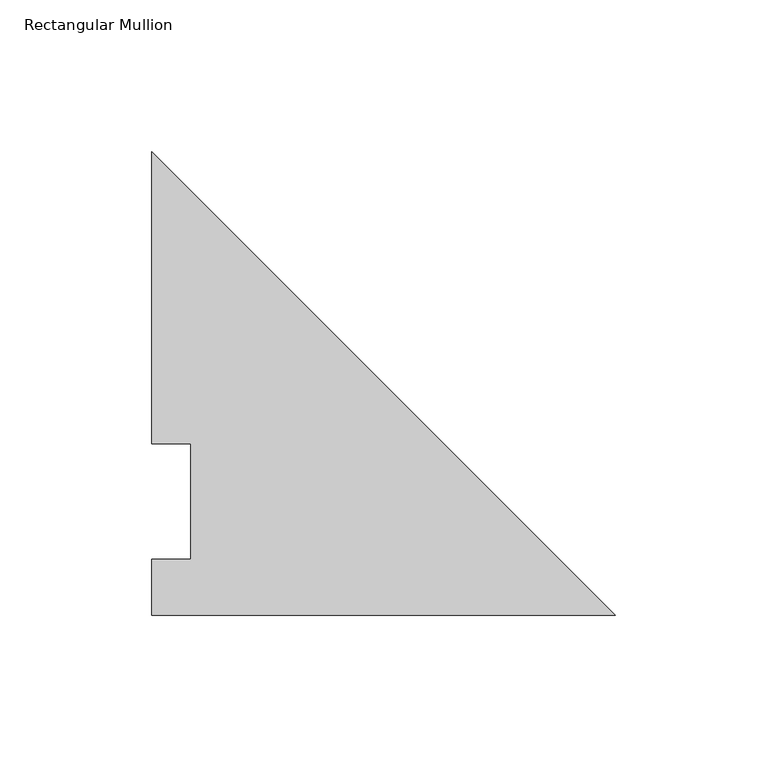
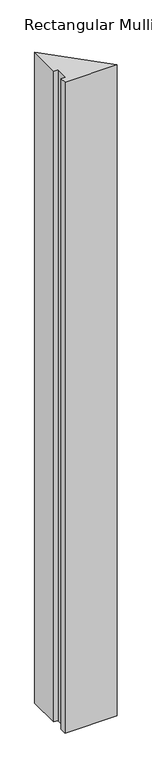
"""IFC4 building model written with IfcOpenShell, lengths in millimetres: member geometry, Rectangular Mullion."""

import ifcopenshell
import ifcopenshell.guid

model = None  # the IFC model being written
_history = None  # IfcOwnerHistory: only IFC2X3 demands one
_inside = {}  # id of a spatial element -> (the spatial element, [elements in it])
_under = {}  # id of a project, library or spatial element -> (it, [spatial elements below it])
_declared = {}  # id of a project -> (the project, [libraries it declares])
_typed = {}  # id of a type object -> (the type object, [elements of that type])
_made_of = {}  # id of a material, layer set ... -> (it, [elements and type objects made of it])


def new_model(schema):
    """Start an empty IFC model of exactly this schema.

    Asked for "IFC4X3", IfcOpenShell would pick the latest addendum, in which some entities
    have other attributes; the version numbers below select the first issue.
    IFC2X3 requires an IfcOwnerHistory on every rooted entity: one is made here for all.
    """
    global model, _history
    if schema == "IFC4X3":
        model = ifcopenshell.file(schema_version=(4, 3, 0, 0))
    else:
        model = ifcopenshell.file(schema=schema)
    _inside.clear()
    _under.clear()
    _declared.clear()
    _typed.clear()
    _made_of.clear()
    _history = None
    if model.schema == "IFC2X3":
        org = make("IfcOrganization", Name="unknown")
        user = make(
            "IfcPersonAndOrganization",
            ThePerson=make("IfcPerson", FamilyName="unknown"),
            TheOrganization=org,
        )
        app = make(
            "IfcApplication",
            ApplicationDeveloper=org,
            Version="unknown",
            ApplicationFullName="unknown",
            ApplicationIdentifier="unknown",
        )
        _history = make(
            "IfcOwnerHistory",
            OwningUser=user,
            OwningApplication=app,
            ChangeAction="ADDED",
            CreationDate=0,
        )
    return model


def make(cls, **values):
    """One entity of the class cls with the attributes given. An attribute that is None is left unset."""
    return model.create_entity(
        cls, **{name: value for name, value in values.items() if value is not None}
    )


def rooted(cls, **values):
    """An entity with a GlobalId (a new one), such as an element, a storey or a relation."""
    return make(cls, GlobalId=ifcopenshell.guid.new(), OwnerHistory=_history, **values)


def si_unit(unit_type, name, prefix=None):
    """IfcSIUnit, for example si_unit("LENGTHUNIT", "METRE", prefix="MILLI")."""
    return make("IfcSIUnit", UnitType=unit_type, Prefix=prefix, Name=name)


def assignment(units):
    """IfcUnitAssignment: the units of a project."""
    return None if units is None else make("IfcUnitAssignment", Units=units)


def point(xyz):
    """IfcCartesianPoint."""
    return None if xyz is None else make("IfcCartesianPoint", Coordinates=xyz)


def direction(xyz):
    """IfcDirection."""
    return None if xyz is None else make("IfcDirection", DirectionRatios=xyz)


def frame(location, z_axis=None, x_axis=None):
    """IfcAxis2Placement3D, a coordinate frame: its origin and axes. An axis left out is left unset."""
    return make(
        "IfcAxis2Placement3D",
        Location=point(location),
        Axis=direction(z_axis),
        RefDirection=direction(x_axis),
    )


def origin():
    """The frame at (0, 0, 0) with its axes left unset."""
    return frame((0.0, 0.0, 0.0))


def place(relative_to, where):
    """IfcLocalPlacement: puts the frame where relative to a parent placement (None: the world)."""
    return make(
        "IfcLocalPlacement", PlacementRelTo=relative_to, RelativePlacement=where
    )


def context(
    kind, dimensions, precision=None, world=None, true_north=None, identifier=None
):
    """IfcGeometricRepresentationContext, for example the 3D "Model" context."""
    return make(
        "IfcGeometricRepresentationContext",
        ContextIdentifier=identifier,
        ContextType=kind,
        CoordinateSpaceDimension=dimensions,
        Precision=precision,
        WorldCoordinateSystem=world,
        TrueNorth=true_north,
    )


def project(units=None, contexts=None):
    """IfcProject with its units and contexts."""
    return rooted(
        "IfcProject",
        Name="project",
        RepresentationContexts=contexts,
        UnitsInContext=assignment(units),
    )


def spatial(cls, under=None, at=None, **own):
    """A site, building, storey or space (cls), placed at a placement, below another one or the project."""
    s = rooted(cls, ObjectPlacement=at, **own)
    if under is not None:
        _under.setdefault(under.id(), (under, []))[1].append(s)
    return s


def polyline(points):
    """IfcPolyline through the points."""
    return make("IfcPolyline", Points=[point(p) for p in points])


def outline(outer, holes=None, kind="AREA"):
    """IfcArbitraryClosedProfileDef: a profile drawn as a closed curve; with holes, ...WithVoids."""
    if holes is None:
        return make("IfcArbitraryClosedProfileDef", ProfileType=kind, OuterCurve=outer)
    return make(
        "IfcArbitraryProfileDefWithVoids",
        ProfileType=kind,
        OuterCurve=outer,
        InnerCurves=holes,
    )


def extrude(swept, where, along, depth):
    """IfcExtrudedAreaSolid: the profile swept, set in the frame where, extruded along a direction by depth."""
    return make(
        "IfcExtrudedAreaSolid",
        SweptArea=swept,
        Position=where,
        ExtrudedDirection=direction(along),
        Depth=depth,
    )


def shape(context_of_items, identifier, shape_type, items):
    """IfcShapeRepresentation: the items that make up one representation, for example the "Body"."""
    return make(
        "IfcShapeRepresentation",
        ContextOfItems=context_of_items,
        RepresentationIdentifier=identifier,
        RepresentationType=shape_type,
        Items=items,
    )


def source(mapping_origin, context_of_items, identifier, shape_type, items):
    """IfcRepresentationMap: a shape defined once, which mapped items show again and again."""
    return make(
        "IfcRepresentationMap",
        MappingOrigin=mapping_origin,
        MappedRepresentation=shape(context_of_items, identifier, shape_type, items),
    )


def transform(
    local_origin,
    x_axis=None,
    y_axis=None,
    z_axis=None,
    scale=None,
    scale2=None,
    scale3=None,
    uniform=True,
):
    """IfcCartesianTransformationOperator3D, or its non-uniform kind. x_axis, y_axis, z_axis: its Axis1, 2, 3."""
    if uniform:
        return make(
            "IfcCartesianTransformationOperator3D",
            Axis1=direction(x_axis),
            Axis2=direction(y_axis),
            LocalOrigin=point(local_origin),
            Scale=scale,
            Axis3=direction(z_axis),
        )
    return make(
        "IfcCartesianTransformationOperator3DnonUniform",
        Axis1=direction(x_axis),
        Axis2=direction(y_axis),
        LocalOrigin=point(local_origin),
        Scale=scale,
        Axis3=direction(z_axis),
        Scale2=scale2,
        Scale3=scale3,
    )


def mapped(mapping_source, mapping_target):
    """IfcMappedItem: shows the shape of a source again, moved by a transform."""
    return make(
        "IfcMappedItem", MappingSource=mapping_source, MappingTarget=mapping_target
    )


def made_of(thing, what):
    """Note that an element or type object is made of a material, layer set ...; save() writes the relation."""
    if what is not None:
        _made_of.setdefault(what.id(), (what, []))[1].append(thing)
    return thing


def element(
    cls,
    number,
    at=None,
    inside=None,
    cuts=None,
    type_object=None,
    material=None,
    context=None,
    identifier="Body",
    shape_type=None,
    held_by="IfcProductDefinitionShape",
    body=None,
    shapes=None,
    **own,
):
    """One element of the class cls, such as IfcWall. Its Tag is "e" and its number.

    at: its placement. inside: the storey or other place that contains it. cuts: it is an
    opening in that element (IfcRelVoidsElement). A single representation is given by context,
    identifier, shape_type and body (its items); several are given by shapes. held_by: the class
    of the entity that holds the representations. save() writes the other relations.
    """
    e = rooted(cls, Tag="e%d" % number, ObjectPlacement=at, **own)
    if body is not None:
        shapes = [shape(context, identifier, shape_type, body)]
    if shapes is not None:
        e.Representation = make(held_by, Representations=shapes)
    if inside is not None:
        _inside.setdefault(inside.id(), (inside, []))[1].append(e)
    if cuts is not None:
        rooted(
            "IfcRelVoidsElement", RelatingBuildingElement=cuts, RelatedOpeningElement=e
        )
    if type_object is not None:
        _typed.setdefault(type_object.id(), (type_object, []))[1].append(e)
    return made_of(e, material)


def aggregate(whole, parts):
    """IfcRelAggregates: a whole, such as a stair, and the parts it consists of."""
    return rooted("IfcRelAggregates", RelatingObject=whole, RelatedObjects=parts)


def save(model, path):
    """Write the relations noted so far, then the file.

    IfcRelAggregates (storeys below a building ...), IfcRelContainedInSpatialStructure (elements
    in a storey), IfcRelDefinesByType, IfcRelAssociatesMaterial and IfcRelDeclares: one each for
    every whole, place, type object, material and project.
    """
    for whole, parts in _under.values():
        aggregate(whole, parts)
    for where, things in _inside.values():
        rooted(
            "IfcRelContainedInSpatialStructure",
            RelatedElements=things,
            RelatingStructure=where,
        )
    for kind, things in _typed.values():
        rooted("IfcRelDefinesByType", RelatedObjects=things, RelatingType=kind)
    for what, things in _made_of.values():
        rooted("IfcRelAssociatesMaterial", RelatedObjects=things, RelatingMaterial=what)
    for by, libraries in _declared.values():
        rooted("IfcRelDeclares", RelatingContext=by, RelatedDefinitions=libraries)
    model.write(path)


def rectangular_mullion_8a2ae2ab(model_context):
    return source(origin(), model_context, "Body", "SweptSolid", [
        extrude(outline(polyline([(0.0, -0.0317501), (-152.4000001, -0.0317501), (-152.4000001, 18.25625), (-139.7000001, 18.25625), (-139.7000001, 56.35625), (-152.4000001, 56.35625), (-152.4000001, 152.36825), (0.0, -0.0317501)])), frame((0.0, 0.0, -2006.6), z_axis=(0.0, 0.0, 1.0), x_axis=(1.0, 0.0, 0.0)), (0.0, 0.0, 1.0), 2006.6),
    ])


if __name__ == "__main__":
    model = new_model("IFC4")
    model_context = context("Model", 3, world=origin())
    ifc_project = project(units=[si_unit("LENGTHUNIT", "METRE", prefix="MILLI")], contexts=[model_context])
    site = spatial("IfcSite", under=ifc_project)
    building = spatial("IfcBuilding", under=site)
    placement = place(None, origin())
    rectangular_mullion_shape = rectangular_mullion_8a2ae2ab(model_context)
    element("IfcMember", 1, ObjectType="Rectangular Mullion", at=placement, inside=building, context=model_context, shape_type="MappedRepresentation", body=[
        mapped(rectangular_mullion_shape, transform((0.0, 0.0, 0.0), x_axis=(1.0, 0.0, 0.0), y_axis=(0.0, 1.0, 0.0), z_axis=(0.0, 0.0, 1.0))),
    ])
    save(model, "model.ifc")
